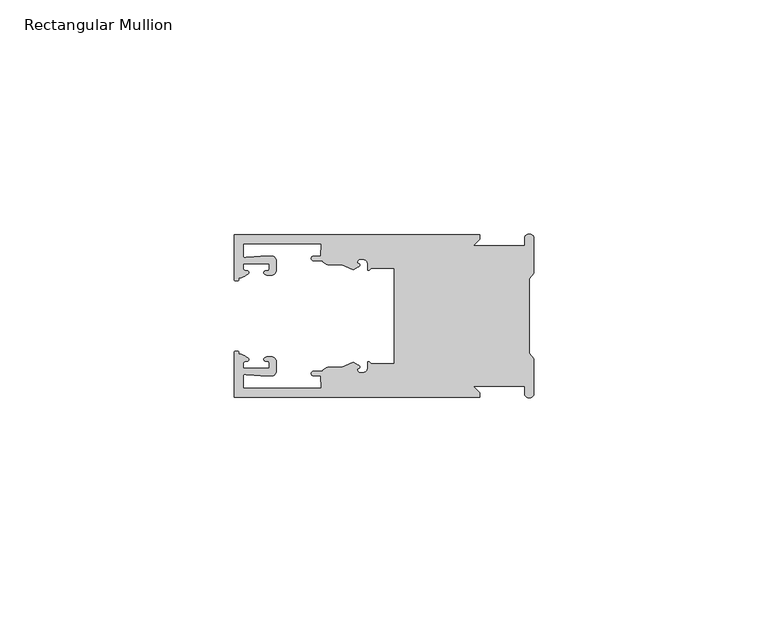
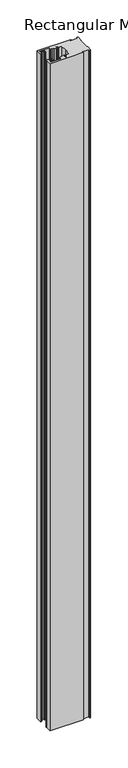
"""IFC4 building model written with IfcOpenShell, lengths in millimetres: member geometry, Rectangular Mullion."""

from ifc_helpers import new_model, si_unit, frame, origin, place, context, project, spatial, polyline, circle_curve, source, transform, mapped, element, save
from ifc_brep_helpers import plane_surface, cylinder_surface, revolved_surface, extruded_surface, spline_curve, advanced_brep


def rectangular_mullion_40bc0c01(model_context):
    return source(origin(), model_context, "Body", "AdvancedBrep", [
        advanced_brep(
        [(-11.5387897, 17.4000478, 0.0), (-64.0387868, 17.4000478, 0.0), (-64.0387868, 7.8350057, 0.0), (-63.2884687, 7.5412947, 0.0), (-62.4614154, 8.1921895, 0.0), (-62.0410649, 9.9426451, 0.0), (-62.0424168, 11.1926444, 0.0), (-56.54242, 11.1985924, 0.0), (-56.5410682, 9.9485931, 0.0), (-57.1085345, 8.7314723, 0.0), (-56.0397166, 8.6991345, 0.0), (-55.0407987, 9.7002154, 0.0), (-55.0430697, 11.8002142, 0.0), (-56.0446364, 12.7991315, 0.0), (-58.3650753, 12.7954945, 0.0), (-61.1340054, 12.5502269, 0.0), (-62.044093, 12.7426435, 0.0), (-62.0469668, 15.4000478, 0.0), (-45.4240312, 15.4000478, 0.0), (-45.5732135, 12.8000478, 0.0), (-47.0387868, 12.8000478, 0.0), (-47.0387868, 11.8000478, 0.0), (-45.2543363, 11.8000478, 0.0), (-43.6387868, 10.9000478, 0.0), (-41.0454034, 10.9000478, 0.0), (-38.5697136, 9.8718293, 0.0), (-37.5387868, 10.4670351, 0.0), (-37.6803436, 11.4201497, 0.0), (-37.0270763, 12.1583697, 0.0), (-36.2010815, 12.0127245, 0.0), (-35.54, 11.2248783, 0.0), (-35.54, 10.0, 0.0), (-34.7705791, 10.25, 0.0), (-29.79, 10.25, 0.0), (-29.79, 0.0, 0.0), (-29.79, -10.25, 0.0), (-34.7705791, -10.25, 0.0), (-35.54, -10.0, 0.0), (-35.54, -11.2248783, 0.0), (-36.2010815, -12.0127245, 0.0), (-37.0270763, -12.1583697, 0.0), (-37.6803436, -11.4201497, 0.0), (-37.5387868, -10.4670351, 0.0), (-38.5697136, -9.8718293, 0.0), (-41.0454034, -10.9000478, 0.0), (-43.6387868, -10.9000478, 0.0), (-45.2543363, -11.8000478, 0.0), (-47.0387868, -11.8000478, 0.0), (-47.0387868, -12.8000478, 0.0), (-45.5732135, -12.8000478, 0.0), (-45.4240312, -15.4000478, 0.0), (-62.0469668, -15.4000478, 0.0), (-62.044093, -12.7426435, 0.0), (-61.1340054, -12.5502269, 0.0), (-58.3650753, -12.7954945, 0.0), (-56.0446364, -12.7991314, 0.0), (-55.0430697, -11.8002142, 0.0), (-55.0407987, -9.7002154, 0.0), (-56.0397166, -8.6991345, 0.0), (-57.1085345, -8.7314723, 0.0), (-56.5410682, -9.9485931, 0.0), (-56.54242, -11.1985924, 0.0), (-62.0424168, -11.1926444, 0.0), (-62.0410649, -9.9426451, 0.0), (-62.4614154, -8.1921895, 0.0), (-63.2884687, -7.5412947, 0.0), (-64.0387868, -7.8350057, 0.0), (-64.0387868, -17.4000478, 0.0), (-11.5387897, -17.4000478, 0.0), (-11.5387897, -16.4000449, 0.0), (-12.9388346, -15.0, 0.0), (-2.0, -15.0, 0.0), (-2.0, -16.5, 0.0), (0.0, -16.5, 0.0), (0.0, -9.1160254, 0.0), (-1.0, -7.9613249, 0.0), (-1.0, 0.0, 0.0), (-1.0, 7.9613249, 0.0), (0.0, 9.1160254, 0.0), (0.0, 16.5, 0.0), (-2.0, 16.5, 0.0), (-2.0, 15.0, 0.0), (-12.9388346, 15.0, 0.0), (-11.5387897, 16.4000449, 0.0), (-11.5387897, 17.4000478, -1097.68), (-11.5387897, 16.4000449, -1097.68), (-12.9388346, 15.0, -1097.68), (-2.0, 15.0, -1097.68), (-2.0, 16.5, -1097.68), (0.0, 16.5, -1097.68), (0.0, 9.1160254, -1097.68), (-1.0, 7.9613249, -1097.68), (-1.0, 0.0, -1097.68), (-1.0, -7.9613249, -1097.68), (0.0, -9.1160254, -1097.68), (0.0, -16.5, -1097.68), (-2.0, -16.5, -1097.68), (-2.0, -15.0, -1097.68), (-12.9388346, -15.0, -1097.68), (-11.5387897, -16.4000449, -1097.68), (-11.5387897, -17.4000478, -1097.68), (-64.0387868, -17.4000478, -1097.68), (-64.0387868, -7.8350057, -1097.68), (-63.2884687, -7.5412947, -1097.68), (-62.4614154, -8.1921895, -1097.68), (-62.0410649, -9.9426451, -1097.68), (-62.0424168, -11.1926444, -1097.68), (-56.54242, -11.1985924, -1097.68), (-56.5410682, -9.9485931, -1097.68), (-57.1085345, -8.7314723, -1097.68), (-56.0397166, -8.6991345, -1097.68), (-55.0407987, -9.7002154, -1097.68), (-55.0430697, -11.8002142, -1097.68), (-56.0446364, -12.7991315, -1097.68), (-58.3650753, -12.7954945, -1097.68), (-61.1340054, -12.5502269, -1097.68), (-62.044093, -12.7426435, -1097.68), (-62.0469668, -15.4000478, -1097.68), (-45.4240312, -15.4000478, -1097.68), (-45.5732135, -12.8000478, -1097.68), (-47.0387868, -12.8000478, -1097.68), (-47.0387868, -11.8000478, -1097.68), (-45.2543363, -11.8000478, -1097.68), (-43.6387868, -10.9000478, -1097.68), (-41.0454034, -10.9000478, -1097.68), (-38.5697136, -9.8718293, -1097.68), (-37.5387868, -10.4670351, -1097.68), (-37.6803436, -11.4201497, -1097.68), (-37.0270763, -12.1583697, -1097.68), (-36.2010815, -12.0127245, -1097.68), (-35.54, -11.2248783, -1097.68), (-35.54, -10.0, -1097.68), (-34.7705791, -10.25, -1097.68), (-29.79, -10.25, -1097.68), (-29.79, 0.0, -1097.68), (-29.79, 10.25, -1097.68), (-34.7705791, 10.25, -1097.68), (-35.54, 10.0, -1097.68), (-35.54, 11.2248783, -1097.68), (-36.2010815, 12.0127245, -1097.68), (-37.0270763, 12.1583697, -1097.68), (-37.6803436, 11.4201497, -1097.68), (-37.5387868, 10.4670351, -1097.68), (-38.5697136, 9.8718293, -1097.68), (-41.0454034, 10.9000478, -1097.68), (-43.6387868, 10.9000478, -1097.68), (-45.2543363, 11.8000478, -1097.68), (-47.0387868, 11.8000478, -1097.68), (-47.0387868, 12.8000478, -1097.68), (-45.5732135, 12.8000478, -1097.68), (-45.4240312, 15.4000478, -1097.68), (-62.0469668, 15.4000478, -1097.68), (-62.044093, 12.7426435, -1097.68), (-61.1340054, 12.5502269, -1097.68), (-58.3650753, 12.7954945, -1097.68), (-56.0446364, 12.7991314, -1097.68), (-55.0430697, 11.8002142, -1097.68), (-55.0407987, 9.7002154, -1097.68), (-56.0397166, 8.6991345, -1097.68), (-57.1085345, 8.7314723, -1097.68), (-56.5410682, 9.9485931, -1097.68), (-56.54242, 11.1985924, -1097.68), (-62.0424168, 11.1926444, -1097.68), (-62.0410649, 9.9426451, -1097.68), (-62.4614154, 8.1921895, -1097.68), (-63.2884687, 7.5412947, -1097.68), (-64.0387868, 7.8350057, -1097.68), (-64.0387868, 17.4000478, -1097.68)],
        [
            (0, 1),
            (1, 2),
            (2, 3, spline_curve(3, [(-64.0387868, 7.8350057, 0.0), (-64.038491377, 7.561831774, 0.0), (-63.788385325, 7.463928087, 0.0), (-63.2884687, 7.5412947, 0.0)], [4, 4], [0.0, 0.0019169337574178654])),
            (3, 4, spline_curve(3, [(-63.2884687, 7.5412947, 0.0), (-63.057760917, 7.582232011, 0.0), (-63.018445067, 7.725390894, 0.0), (-63.019925494, 8.056436881, 0.0), (-63.103444208, 8.236386866, 0.0), (-62.4614154, 8.1921895, 0.0)], [4, 2, 4], [0.0, 0.0010199524164107188, 0.0024874514725970356])),
            (4, 5, spline_curve(3, [(-62.4614154, 8.1921895, 0.0), (-60.988497673, 8.880962536, 0.0), (-60.794045122, 9.192776957, 0.0), (-60.949808078, 9.57023562, 0.0), (-61.145214014, 9.682771697, 0.0), (-61.665835706, 9.714019003, 0.0), (-61.965242574, 9.660891484, 0.0), (-62.0410649, 9.9426451, 0.0)], [4, 2, 2, 4], [0.0, 0.003269869179570428, 0.005490050486237203, 0.0073545767114364426])),
            (5, 6),
            (6, 7),
            (7, 8),
            (8, 9, spline_curve(3, [(-56.5410682, 9.9485931, 0.0), (-56.634838635, 9.597117104, 0.0), (-56.904956774, 9.698238818, 0.0), (-57.324171444, 9.731086209, 0.0), (-57.45969165, 9.646199885, 0.0), (-57.729003352, 9.346016011, 0.0), (-57.859492582, 9.113082158, 0.0), (-57.1085345, 8.7314723, 0.0)], [4, 2, 2, 4], [0.0, 0.001593963049934732, 0.0033360256320283306, 0.005339140673503943])),
            (9, 10),
            (10, 11, circle_curve(frame((-56.0407981, 9.699134, 0.0), z_axis=(0.0, 0.0, 1.0), x_axis=(0.0010814451158627505, -0.9999994152380598, 0.0)), 1.0)),
            (11, 12),
            (12, 13, circle_curve(frame((-56.0430691, 11.7991327, 0.0), z_axis=(0.0, 0.0, 1.0), x_axis=(0.0010814451158627505, -0.9999994152380598, 0.0)), 1.0)),
            (13, 14),
            (14, 15),
            (15, 16, spline_curve(3, [(-61.1340054, 12.5502269, 0.0), (-61.605485428, 12.508463911, 0.0), (-61.992111419, 12.303164326, 0.0), (-62.044093, 12.7426435, 0.0)], [4, 4], [0.0, 0.0014803385355886016])),
            (16, 17),
            (17, 18),
            (18, 19),
            (19, 20),
            (20, 21, circle_curve(frame((-47.0387868, 12.3000478, 0.0), z_axis=(0.0, 0.0, 1.0), x_axis=(0.0, -1.0, 0.0)), 0.5)),
            (21, 22),
            (22, 23, circle_curve(frame((-43.6387868, 12.8000478, 0.0), z_axis=(0.0, 0.0, 1.0), x_axis=(0.0, -1.0, 0.0)), 1.9)),
            (23, 24),
            (24, 25),
            (25, 26),
            (26, 27, spline_curve(3, [(-37.5387868, 10.4670351, 0.0), (-36.973919853, 10.833863985, 0.0), (-37.198159645, 11.135696286, 0.0), (-37.587892011, 11.260246073, 0.0), (-37.754584192, 11.180452419, 0.0), (-37.6803436, 11.4201497, 0.0)], [4, 2, 4], [0.0, 0.0019283703160353726, 0.003394584635652914])),
            (27, 28, circle_curve(frame((-37.0434863, 11.5147359, 0.0), z_axis=(0.0, 0.0, -1.0), x_axis=(0.0, -1.0, 0.0)), 0.643843)),
            (28, 29),
            (29, 30, circle_curve(frame((-36.34, 11.2248783, 0.0), z_axis=(0.0, 0.0, -1.0), x_axis=(0.0, -1.0, 0.0)), 0.8)),
            (30, 31),
            (31, 32, spline_curve(3, [(-35.54, 10.0, 0.0), (-35.440000238, 9.598293201, 0.0), (-35.183526594, 9.681626535, 0.0), (-34.7705791, 10.25, 0.0)], [4, 4], [0.0, 0.0027473296990141553])),
            (32, 33),
            (33, 34),
            (34, 35),
            (35, 36),
            (36, 37, spline_curve(3, [(-34.7705791, -10.25, 0.0), (-35.183526594, -9.681626535, 0.0), (-35.440000238, -9.598293201, 0.0), (-35.54, -10.0, 0.0)], [4, 4], [0.0, 0.0027473296990141553])),
            (37, 38),
            (38, 39, circle_curve(frame((-36.34, -11.2248783, 0.0), z_axis=(0.0, 0.0, -1.0), x_axis=(0.0, 1.0, 0.0)), 0.8)),
            (39, 40),
            (40, 41, circle_curve(frame((-37.0434863, -11.5147359, 0.0), z_axis=(0.0, 0.0, -1.0), x_axis=(0.0, 1.0, 0.0)), 0.643843)),
            (41, 42, spline_curve(3, [(-37.6803436, -11.4201497, 0.0), (-37.754584192, -11.180452419, 0.0), (-37.587892011, -11.260246073, 0.0), (-37.198159645, -11.135696286, 0.0), (-36.973919853, -10.833863985, 0.0), (-37.5387868, -10.4670351, 0.0)], [4, 2, 4], [0.0, 0.0014662143196175414, 0.003394584635652914])),
            (42, 43),
            (43, 44),
            (44, 45),
            (45, 46, circle_curve(frame((-43.6387868, -12.8000478, 0.0), z_axis=(0.0, 0.0, 1.0), x_axis=(0.0, 1.0, 0.0)), 1.9)),
            (46, 47),
            (47, 48, circle_curve(frame((-47.0387868, -12.3000478, 0.0), z_axis=(0.0, 0.0, 1.0), x_axis=(0.0, 1.0, 0.0)), 0.5)),
            (48, 49),
            (49, 50),
            (50, 51),
            (51, 52),
            (52, 53, spline_curve(3, [(-62.044093, -12.7426435, 0.0), (-61.992111419, -12.303164326, 0.0), (-61.605485428, -12.508463911, 0.0), (-61.1340054, -12.5502269, 0.0)], [4, 4], [0.0, 0.0014803385355886016])),
            (53, 54),
            (54, 55),
            (55, 56, circle_curve(frame((-56.0430691, -11.7991327, 0.0), z_axis=(0.0, 0.0, 1.0), x_axis=(0.001081445115855867, 0.9999994152380598, 0.0)), 1.0)),
            (56, 57),
            (57, 58, circle_curve(frame((-56.0407981, -9.699134, 0.0), z_axis=(0.0, 0.0, 1.0), x_axis=(0.001081445115855867, 0.9999994152380598, 0.0)), 1.0)),
            (58, 59),
            (59, 60, spline_curve(3, [(-57.1085345, -8.7314723, 0.0), (-57.859492582, -9.113082158, 0.0), (-57.729003352, -9.346016011, 0.0), (-57.45969165, -9.646199885, 0.0), (-57.324171444, -9.731086209, 0.0), (-56.904956774, -9.698238818, 0.0), (-56.634838635, -9.597117104, 0.0), (-56.5410682, -9.9485931, 0.0)], [4, 2, 2, 4], [0.0, 0.002003115041475612, 0.0037451776235692107, 0.005339140673503943])),
            (60, 61),
            (61, 62),
            (62, 63),
            (63, 64, spline_curve(3, [(-62.0410649, -9.9426451, 0.0), (-61.965242574, -9.660891484, 0.0), (-61.665835706, -9.714019003, 0.0), (-61.145214014, -9.682771697, 0.0), (-60.949808078, -9.57023562, 0.0), (-60.794045122, -9.192776957, 0.0), (-60.988497673, -8.880962536, 0.0), (-62.4614154, -8.1921895, 0.0)], [4, 2, 2, 4], [0.0, 0.0018645262251992395, 0.004084707531866015, 0.0073545767114364426])),
            (64, 65, spline_curve(3, [(-62.4614154, -8.1921895, 0.0), (-63.103444208, -8.236386866, 0.0), (-63.019925494, -8.056436881, 0.0), (-63.018445067, -7.725390894, 0.0), (-63.057760917, -7.582232011, 0.0), (-63.2884687, -7.5412947, 0.0)], [4, 2, 4], [0.0, 0.0014674990561863168, 0.0024874514725970356])),
            (65, 66, spline_curve(3, [(-63.2884687, -7.5412947, 0.0), (-63.788385325, -7.463928087, 0.0), (-64.038491377, -7.561831774, 0.0), (-64.0387868, -7.8350057, 0.0)], [4, 4], [0.0, 0.0019169337574178654])),
            (66, 67),
            (67, 68),
            (68, 69),
            (69, 70),
            (70, 71),
            (71, 72),
            (72, 73, circle_curve(frame((-1.0, -16.5, 0.0), z_axis=(0.0, 0.0, 1.0), x_axis=(0.0, 1.0, 0.0)), 1.0)),
            (73, 74),
            (74, 75),
            (75, 76),
            (76, 77),
            (77, 78),
            (78, 79),
            (79, 80, circle_curve(frame((-1.0, 16.5, 0.0), z_axis=(0.0, 0.0, 1.0), x_axis=(0.0, -1.0, 0.0)), 1.0)),
            (80, 81),
            (81, 82),
            (82, 83),
            (83, 0),
            (84, 85),
            (85, 86),
            (86, 87),
            (87, 88),
            (88, 89, circle_curve(frame((-1.0, 16.5, -1097.68), z_axis=(0.0, 0.0, -1.0), x_axis=(0.0, -1.0, 0.0)), 1.0)),
            (89, 90),
            (90, 91),
            (91, 92),
            (92, 93),
            (93, 94),
            (94, 95),
            (95, 96, circle_curve(frame((-1.0, -16.5, -1097.68), z_axis=(0.0, 0.0, -1.0), x_axis=(0.0, 1.0, 0.0)), 1.0)),
            (96, 97),
            (97, 98),
            (98, 99),
            (99, 100),
            (100, 101),
            (101, 102),
            (102, 103, spline_curve(3, [(-64.0387868, -7.8350057, -1097.68), (-64.038491377, -7.561831774, -1097.68), (-63.788385325, -7.463928087, -1097.68), (-63.2884687, -7.5412947, -1097.68)], [4, 4], [0.0, 0.0019169337574178654])),
            (103, 104, spline_curve(3, [(-63.2884687, -7.5412947, -1097.68), (-63.057760917, -7.582232011, -1097.68), (-63.018445067, -7.725390894, -1097.68), (-63.019925494, -8.056436881, -1097.68), (-63.103444208, -8.236386866, -1097.68), (-62.4614154, -8.1921895, -1097.68)], [4, 2, 4], [0.0, 0.0010199524164107188, 0.0024874514725970356])),
            (104, 105, spline_curve(3, [(-62.4614154, -8.1921895, -1097.68), (-60.988497673, -8.880962536, -1097.68), (-60.794045122, -9.192776957, -1097.68), (-60.949808078, -9.57023562, -1097.68), (-61.145214014, -9.682771697, -1097.68), (-61.665835706, -9.714019003, -1097.68), (-61.965242574, -9.660891484, -1097.68), (-62.0410649, -9.9426451, -1097.68)], [4, 2, 2, 4], [0.0, 0.003269869179570428, 0.005490050486237203, 0.0073545767114364426])),
            (105, 106),
            (106, 107),
            (107, 108),
            (108, 109, spline_curve(3, [(-56.5410682, -9.9485931, -1097.68), (-56.634838635, -9.597117104, -1097.68), (-56.904956774, -9.698238818, -1097.68), (-57.324171444, -9.731086209, -1097.68), (-57.45969165, -9.646199885, -1097.68), (-57.729003352, -9.346016011, -1097.68), (-57.859492582, -9.113082158, -1097.68), (-57.1085345, -8.7314723, -1097.68)], [4, 2, 2, 4], [0.0, 0.001593963049934732, 0.0033360256320283306, 0.005339140673503943])),
            (109, 110),
            (110, 111, circle_curve(frame((-56.0407981, -9.699134, -1097.68), z_axis=(0.0, 0.0, -1.0), x_axis=(0.001081445115855867, 0.9999994152380598, 0.0)), 1.0)),
            (111, 112),
            (112, 113, circle_curve(frame((-56.0430691, -11.7991327, -1097.68), z_axis=(0.0, 0.0, -1.0), x_axis=(0.001081445115855867, 0.9999994152380598, 0.0)), 1.0)),
            (113, 114),
            (114, 115),
            (115, 116, spline_curve(3, [(-61.1340054, -12.5502269, -1097.68), (-61.605485428, -12.508463911, -1097.68), (-61.992111419, -12.303164326, -1097.68), (-62.044093, -12.7426435, -1097.68)], [4, 4], [0.0, 0.0014803385355886016])),
            (116, 117),
            (117, 118),
            (118, 119),
            (119, 120),
            (120, 121, circle_curve(frame((-47.0387868, -12.3000478, -1097.68), z_axis=(0.0, 0.0, -1.0), x_axis=(0.0, 1.0, 0.0)), 0.5)),
            (121, 122),
            (122, 123, circle_curve(frame((-43.6387868, -12.8000478, -1097.68), z_axis=(0.0, 0.0, -1.0), x_axis=(0.0, 1.0, 0.0)), 1.9)),
            (123, 124),
            (124, 125),
            (125, 126),
            (126, 127, spline_curve(3, [(-37.5387868, -10.4670351, -1097.68), (-36.973919853, -10.833863985, -1097.68), (-37.198159645, -11.135696286, -1097.68), (-37.587892011, -11.260246073, -1097.68), (-37.754584192, -11.180452419, -1097.68), (-37.6803436, -11.4201497, -1097.68)], [4, 2, 4], [0.0, 0.0019283703160353726, 0.003394584635652914])),
            (127, 128, circle_curve(frame((-37.0434863, -11.5147359, -1097.68), z_axis=(0.0, 0.0, 1.0), x_axis=(0.0, 1.0, 0.0)), 0.643843)),
            (128, 129),
            (129, 130, circle_curve(frame((-36.34, -11.2248783, -1097.68), z_axis=(0.0, 0.0, 1.0), x_axis=(0.0, 1.0, 0.0)), 0.8)),
            (130, 131),
            (131, 132, spline_curve(3, [(-35.54, -10.0, -1097.68), (-35.440000238, -9.598293201, -1097.68), (-35.183526594, -9.681626535, -1097.68), (-34.7705791, -10.25, -1097.68)], [4, 4], [0.0, 0.0027473296990141553])),
            (132, 133),
            (133, 134),
            (134, 135),
            (135, 136),
            (136, 137, spline_curve(3, [(-34.7705791, 10.25, -1097.68), (-35.183526594, 9.681626535, -1097.68), (-35.440000238, 9.598293201, -1097.68), (-35.54, 10.0, -1097.68)], [4, 4], [0.0, 0.0027473296990141553])),
            (137, 138),
            (138, 139, circle_curve(frame((-36.34, 11.2248783, -1097.68), z_axis=(0.0, 0.0, 1.0), x_axis=(0.0, -1.0, 0.0)), 0.8)),
            (139, 140),
            (140, 141, circle_curve(frame((-37.0434863, 11.5147359, -1097.68), z_axis=(0.0, 0.0, 1.0), x_axis=(0.0, -1.0, 0.0)), 0.643843)),
            (141, 142, spline_curve(3, [(-37.6803436, 11.4201497, -1097.68), (-37.754584192, 11.180452419, -1097.68), (-37.587892011, 11.260246073, -1097.68), (-37.198159645, 11.135696286, -1097.68), (-36.973919853, 10.833863985, -1097.68), (-37.5387868, 10.4670351, -1097.68)], [4, 2, 4], [0.0, 0.0014662143196175414, 0.003394584635652914])),
            (142, 143),
            (143, 144),
            (144, 145),
            (145, 146, circle_curve(frame((-43.6387868, 12.8000478, -1097.68), z_axis=(0.0, 0.0, -1.0), x_axis=(0.0, -1.0, 0.0)), 1.9)),
            (146, 147),
            (147, 148, circle_curve(frame((-47.0387868, 12.3000478, -1097.68), z_axis=(0.0, 0.0, -1.0), x_axis=(0.0, -1.0, 0.0)), 0.5)),
            (148, 149),
            (149, 150),
            (150, 151),
            (151, 152),
            (152, 153, spline_curve(3, [(-62.044093, 12.7426435, -1097.68), (-61.992111419, 12.303164326, -1097.68), (-61.605485428, 12.508463911, -1097.68), (-61.1340054, 12.5502269, -1097.68)], [4, 4], [0.0, 0.0014803385355886016])),
            (153, 154),
            (154, 155),
            (155, 156, circle_curve(frame((-56.0430691, 11.7991327, -1097.68), z_axis=(0.0, 0.0, -1.0), x_axis=(0.0010814451158627505, -0.9999994152380598, 0.0)), 1.0)),
            (156, 157),
            (157, 158, circle_curve(frame((-56.0407981, 9.699134, -1097.68), z_axis=(0.0, 0.0, -1.0), x_axis=(0.0010814451158627505, -0.9999994152380598, 0.0)), 1.0)),
            (158, 159),
            (159, 160, spline_curve(3, [(-57.1085345, 8.7314723, -1097.68), (-57.859492582, 9.113082158, -1097.68), (-57.729003352, 9.346016011, -1097.68), (-57.45969165, 9.646199885, -1097.68), (-57.324171444, 9.731086209, -1097.68), (-56.904956774, 9.698238818, -1097.68), (-56.634838635, 9.597117104, -1097.68), (-56.5410682, 9.9485931, -1097.68)], [4, 2, 2, 4], [0.0, 0.002003115041475612, 0.0037451776235692107, 0.005339140673503943])),
            (160, 161),
            (161, 162),
            (162, 163),
            (163, 164, spline_curve(3, [(-62.0410649, 9.9426451, -1097.68), (-61.965242574, 9.660891484, -1097.68), (-61.665835706, 9.714019003, -1097.68), (-61.145214014, 9.682771697, -1097.68), (-60.949808078, 9.57023562, -1097.68), (-60.794045122, 9.192776957, -1097.68), (-60.988497673, 8.880962536, -1097.68), (-62.4614154, 8.1921895, -1097.68)], [4, 2, 2, 4], [0.0, 0.0018645262251992395, 0.004084707531866015, 0.0073545767114364426])),
            (164, 165, spline_curve(3, [(-62.4614154, 8.1921895, -1097.68), (-63.103444208, 8.236386866, -1097.68), (-63.019925494, 8.056436881, -1097.68), (-63.018445067, 7.725390894, -1097.68), (-63.057760917, 7.582232011, -1097.68), (-63.2884687, 7.5412947, -1097.68)], [4, 2, 4], [0.0, 0.0014674990561863168, 0.0024874514725970356])),
            (165, 166, spline_curve(3, [(-63.2884687, 7.5412947, -1097.68), (-63.788385325, 7.463928087, -1097.68), (-64.038491377, 7.561831774, -1097.68), (-64.0387868, 7.8350057, -1097.68)], [4, 4], [0.0, 0.0019169337574178654])),
            (166, 167),
            (167, 84),
            (0, 84),
            (167, 1),
            (166, 2),
            (165, 3),
            (164, 4),
            (163, 5),
            (162, 6),
            (161, 7),
            (160, 8),
            (159, 9),
            (158, 10),
            (157, 11),
            (156, 12),
            (155, 13),
            (154, 14),
            (153, 15),
            (152, 16),
            (151, 17),
            (150, 18),
            (149, 19),
            (148, 20),
            (147, 21),
            (146, 22),
            (145, 23),
            (144, 24),
            (143, 25),
            (142, 26),
            (141, 27),
            (140, 28),
            (139, 29),
            (138, 30),
            (137, 31),
            (136, 32),
            (135, 33),
            (134, 34),
            (133, 35),
            (132, 36),
            (131, 37),
            (130, 38),
            (129, 39),
            (128, 40),
            (127, 41),
            (126, 42),
            (125, 43),
            (124, 44),
            (123, 45),
            (122, 46),
            (121, 47),
            (120, 48),
            (119, 49),
            (118, 50),
            (117, 51),
            (116, 52),
            (115, 53),
            (114, 54),
            (113, 55),
            (112, 56),
            (111, 57),
            (110, 58),
            (109, 59),
            (108, 60),
            (107, 61),
            (106, 62),
            (105, 63),
            (104, 64),
            (103, 65),
            (102, 66),
            (101, 67),
            (100, 68),
            (99, 69),
            (98, 70),
            (97, 71),
            (96, 72),
            (95, 73),
            (94, 74),
            (93, 75),
            (92, 76),
            (91, 77),
            (90, 78),
            (89, 79),
            (88, 80),
            (87, 81),
            (86, 82),
            (85, 83),
        ],
        [
            plane_surface(frame((0.0, -66.3605898, 0.0), z_axis=(0.0, 0.0, 1.0), x_axis=(-1.0, 0.0, 0.0))),
            plane_surface(frame((0.0, -66.3605898, -1097.68), z_axis=(0.0, 0.0, -1.0), x_axis=(-1.0, 0.0, 0.0))),
            plane_surface(frame((-11.5387897, 17.4000478, 0.0), z_axis=(0.0, 1.0, 0.0), x_axis=(0.0, 0.0, -1.0))),
            plane_surface(frame((-64.0387868, 17.4000478, 0.0), z_axis=(-1.0, 0.0, 0.0), x_axis=(0.0, 0.0, -1.0))),
            extruded_surface(spline_curve(3, [(-64.0387868, 7.8350057, -1097.68), (-64.038491377, 7.561831774, -1097.68), (-63.788385325, 7.463928087, -1097.68), (-63.2884687, 7.5412947, -1097.68)], [4, 4], [0.0, 0.0019169337574178654]), (0.0, 0.0, 1097.68), 1097.68),
            extruded_surface(spline_curve(3, [(-63.2884687, 7.5412947, -1097.68), (-63.057760917, 7.582232011, -1097.68), (-63.018445067, 7.725390894, -1097.68), (-63.019925494, 8.056436881, -1097.68), (-63.103444208, 8.236386866, -1097.68), (-62.4614154, 8.1921895, -1097.68)], [4, 2, 4], [0.0, 0.0010199524164107188, 0.0024874514725970356]), (0.0, 0.0, 1097.68), 1097.68),
            extruded_surface(spline_curve(3, [(-62.4614154, 8.1921895, -1097.68), (-60.988497673, 8.880962536, -1097.68), (-60.794045122, 9.192776957, -1097.68), (-60.949808078, 9.57023562, -1097.68), (-61.145214014, 9.682771697, -1097.68), (-61.665835706, 9.714019003, -1097.68), (-61.965242574, 9.660891484, -1097.68), (-62.0410649, 9.9426451, -1097.68)], [4, 2, 2, 4], [0.0, 0.003269869179570428, 0.005490050486237203, 0.0073545767114364426]), (0.0, 0.0, 1097.68), 1097.68),
            plane_surface(frame((-62.0410649, 9.9426451, 0.0), z_axis=(0.9999994152380598, 0.0010814451158593665, 0.0), x_axis=(0.0, 0.0, -1.0))),
            plane_surface(frame((-62.0424168, 11.1926444, 0.0), z_axis=(0.0010814451158611391, -0.9999994152380598, 0.0), x_axis=(0.0, 0.0, -1.0))),
            plane_surface(frame((-56.54242, 11.1985924, 0.0), z_axis=(-0.9999994152380598, -0.0010814451158584516, 0.0), x_axis=(0.0, 0.0, -1.0))),
            extruded_surface(spline_curve(3, [(-56.5410682, 9.9485931, -1097.68), (-56.634838635, 9.597117104, -1097.68), (-56.904956774, 9.698238818, -1097.68), (-57.324171444, 9.731086209, -1097.68), (-57.45969165, 9.646199885, -1097.68), (-57.729003352, 9.346016011, -1097.68), (-57.859492582, 9.113082158, -1097.68), (-57.1085345, 8.7314723, -1097.68)], [4, 2, 2, 4], [0.0, 0.001593963049934732, 0.0033360256320283306, 0.005339140673503943]), (0.0, 0.0, 1097.68), 1097.68),
            plane_surface(frame((-57.1085345, 8.7314723, 0.0), z_axis=(-0.030241832452869922, -0.9995426111826813, 0.0), x_axis=(0.0, 0.0, -1.0))),
            cylinder_surface(frame((-56.0407981, 9.699134, 0.0), z_axis=(0.0, 0.0, 1.0000000000000002), x_axis=(0.0010814451158627505, -0.9999994152380598, 0.0)), 1.0),
            plane_surface(frame((-55.0407987, 9.7002154, 0.0), z_axis=(0.9999994152380598, 0.001081445115858722, 0.0), x_axis=(0.0, 0.0, -1.0))),
            cylinder_surface(frame((-56.0430691, 11.7991327, 0.0), z_axis=(0.0, 0.0, 1.0000000000000002), x_axis=(0.0010814451158627505, -0.9999994152380598, 0.0)), 1.0),
            plane_surface(frame((-56.0446364, 12.7991314, 0.0), z_axis=(-0.0015673183327907744, 0.9999987717558677, 0.0), x_axis=(0.0, 0.0, -1.0))),
            plane_surface(frame((-58.3650753, 12.7954945, 0.0), z_axis=(-0.08823302167299531, 0.9960998614026874, 0.0), x_axis=(0.0, 0.0, -1.0))),
            extruded_surface(spline_curve(3, [(-61.1340054, 12.5502269, -1097.68), (-61.605485428, 12.508463911, -1097.68), (-61.992111419, 12.303164326, -1097.68), (-62.044093, 12.7426435, -1097.68)], [4, 4], [0.0, 0.0014803385355886016]), (0.0, 0.0, 1097.68), 1097.68),
            plane_surface(frame((-62.044093, 12.7426435, 0.0), z_axis=(0.9999994152380598, 0.0010814451158597813, 0.0), x_axis=(0.0, 0.0, -1.0))),
            plane_surface(frame((-62.0469668, 15.4000478, 0.0), z_axis=(0.0, -1.0, 0.0), x_axis=(0.0, 0.0, -1.0))),
            plane_surface(frame((-45.4240312, 15.4000478, 0.0), z_axis=(-0.9983579461523547, 0.05728360458675776, 0.0), x_axis=(0.0, 0.0, -1.0))),
            plane_surface(frame((-45.5732135, 12.8000478, 0.0), z_axis=(0.0, 1.0, 0.0), x_axis=(0.0, 0.0, -1.0))),
            cylinder_surface(frame((-47.0387868, 12.3000478, 0.0), z_axis=(0.0, 0.0, 1.0), x_axis=(0.0, -1.0, 0.0)), 0.5),
            plane_surface(frame((-47.0387868, 11.8000478, 0.0), z_axis=(0.0, -1.0, 0.0), x_axis=(0.0, 0.0, -1.0))),
            cylinder_surface(frame((-43.6387868, 12.8000478, 0.0), z_axis=(0.0, 0.0, 1.0), x_axis=(0.0, -1.0, 0.0)), 1.9),
            plane_surface(frame((-43.6387868, 10.9000478, 0.0), z_axis=(0.0, -1.0, 0.0), x_axis=(0.0, 0.0, -1.0))),
            plane_surface(frame((-41.0454034, 10.9000478, 0.0), z_axis=(-0.3835602140750569, -0.9235158700199453, 0.0), x_axis=(0.0, 0.0, -1.0))),
            plane_surface(frame((-38.5697136, 9.8718293, 0.0), z_axis=(0.5000000000252295, -0.8660254037698725, 0.0), x_axis=(0.0, 0.0, -1.0))),
            extruded_surface(spline_curve(3, [(-37.5387868, 10.4670351, -1097.68), (-36.973919853, 10.833863985, -1097.68), (-37.198159645, 11.135696286, -1097.68), (-37.587892011, 11.260246073, -1097.68), (-37.754584192, 11.180452419, -1097.68), (-37.6803436, 11.4201497, -1097.68)], [4, 2, 4], [0.0, 0.0019283703160353726, 0.003394584635652914]), (0.0, 0.0, 1097.68), 1097.68),
            revolved_surface(polyline([(-37.0434863, 10.8708929, -1097.68), (-37.0434863, 10.8708929, 0.0)]), (-37.0434863, 11.5147359, 0.0), (0.0, 0.0, -1.0)),
            plane_surface(frame((-37.0270763, 12.1583697, 0.0), z_axis=(-0.17364817767050408, -0.984807753011578, 0.0), x_axis=(0.0, 0.0, -1.0))),
            revolved_surface(polyline([(-36.34, 10.4248783, -1097.68), (-36.34, 10.4248783, 0.0)]), (-36.34, 11.2248783, 0.0), (0.0, 0.0, -1.0)),
            plane_surface(frame((-35.54, 11.2248783, 0.0), z_axis=(-1.0, 0.0, 0.0), x_axis=(0.0, 0.0, -1.0))),
            extruded_surface(spline_curve(3, [(-35.54, 10.0, -1097.68), (-35.440000238, 9.598293201, -1097.68), (-35.183526594, 9.681626535, -1097.68), (-34.7705791, 10.25, -1097.68)], [4, 4], [0.0, 0.0027473296990141553]), (0.0, 0.0, 1097.68), 1097.68),
            plane_surface(frame((-34.7705791, 10.25, 0.0), z_axis=(0.0, -1.0, 0.0), x_axis=(0.0, 0.0, -1.0))),
            plane_surface(frame((-29.79, 10.25, 0.0), z_axis=(-1.0, 0.0, 0.0), x_axis=(0.0, 0.0, -1.0))),
            plane_surface(frame((-29.79, 0.0, 0.0), z_axis=(-1.0, 0.0, 0.0), x_axis=(0.0, 0.0, -1.0))),
            plane_surface(frame((-29.79, -10.25, 0.0), z_axis=(0.0, 1.0, 0.0), x_axis=(0.0, 0.0, -1.0))),
            extruded_surface(spline_curve(3, [(-34.7705791, -10.25, -1097.68), (-35.183526594, -9.681626535, -1097.68), (-35.440000238, -9.598293201, -1097.68), (-35.54, -10.0, -1097.68)], [4, 4], [0.0, 0.0027473296990141553]), (0.0, 0.0, 1097.68), 1097.68),
            plane_surface(frame((-35.54, -10.0, 0.0), z_axis=(-1.0, 0.0, 0.0), x_axis=(0.0, 0.0, -1.0))),
            revolved_surface(polyline([(-36.34, -10.4248783, -1097.68), (-36.34, -10.4248783, 0.0)]), (-36.34, -11.2248783, 0.0), (0.0, 0.0, -1.0)),
            plane_surface(frame((-36.2010815, -12.0127245, 0.0), z_axis=(-0.17364817767051083, 0.9848077530115767, 0.0), x_axis=(0.0, 0.0, -1.0))),
            revolved_surface(polyline([(-37.0434863, -10.8708929, -1097.68), (-37.0434863, -10.8708929, 0.0)]), (-37.0434863, -11.5147359, 0.0), (0.0, 0.0, -1.0)),
            extruded_surface(spline_curve(3, [(-37.6803436, -11.4201497, -1097.68), (-37.754584192, -11.180452419, -1097.68), (-37.587892011, -11.260246073, -1097.68), (-37.198159645, -11.135696286, -1097.68), (-36.973919853, -10.833863985, -1097.68), (-37.5387868, -10.4670351, -1097.68)], [4, 2, 4], [0.0, 0.0014662143196175414, 0.003394584635652914]), (0.0, 0.0, 1097.68), 1097.68),
            plane_surface(frame((-37.5387868, -10.4670351, 0.0), z_axis=(0.5000000000252234, 0.8660254037698759, 0.0), x_axis=(0.0, 0.0, -1.0))),
            plane_surface(frame((-38.5697136, -9.8718293, 0.0), z_axis=(-0.38356021407506324, 0.9235158700199426, 0.0), x_axis=(0.0, 0.0, -1.0))),
            plane_surface(frame((-41.0454034, -10.9000478, 0.0), z_axis=(0.0, 1.0, 0.0), x_axis=(0.0, 0.0, -1.0))),
            cylinder_surface(frame((-43.6387868, -12.8000478, 0.0), z_axis=(0.0, 0.0, 1.0), x_axis=(0.0, 1.0, 0.0)), 1.9),
            plane_surface(frame((-45.2543363, -11.8000478, 0.0), z_axis=(0.0, 1.0, 0.0), x_axis=(0.0, 0.0, -1.0))),
            cylinder_surface(frame((-47.0387868, -12.3000478, 0.0), z_axis=(0.0, 0.0, 1.0), x_axis=(0.0, 1.0, 0.0)), 0.5),
            plane_surface(frame((-47.0387868, -12.8000478, 0.0), z_axis=(0.0, -1.0, 0.0), x_axis=(0.0, 0.0, -1.0))),
            plane_surface(frame((-45.5732135, -12.8000478, 0.0), z_axis=(-0.9983579461523543, -0.05728360458676463, 0.0), x_axis=(0.0, 0.0, -1.0))),
            plane_surface(frame((-45.4240312, -15.4000478, 0.0), z_axis=(0.0, 1.0, 0.0), x_axis=(0.0, 0.0, -1.0))),
            plane_surface(frame((-62.0469668, -15.4000478, 0.0), z_axis=(0.9999994152380598, -0.001081445115852898, 0.0), x_axis=(0.0, 0.0, -1.0))),
            extruded_surface(spline_curve(3, [(-62.044093, -12.7426435, -1097.68), (-61.992111419, -12.303164326, -1097.68), (-61.605485428, -12.508463911, -1097.68), (-61.1340054, -12.5502269, -1097.68)], [4, 4], [0.0, 0.0014803385355886016]), (0.0, 0.0, 1097.68), 1097.68),
            plane_surface(frame((-61.1340054, -12.5502269, 0.0), z_axis=(-0.08823302167298844, -0.9960998614026879, 0.0), x_axis=(0.0, 0.0, -1.0))),
            plane_surface(frame((-58.3650753, -12.7954945, 0.0), z_axis=(-0.001567318332783891, -0.9999987717558677, 0.0), x_axis=(0.0, 0.0, -1.0))),
            cylinder_surface(frame((-56.0430691, -11.7991327, 0.0), z_axis=(0.0, 0.0, 1.0000000000000002), x_axis=(0.001081445115855867, 0.9999994152380598, 0.0)), 1.0),
            plane_surface(frame((-55.0430697, -11.8002142, 0.0), z_axis=(0.9999994152380598, -0.0010814451158518386, 0.0), x_axis=(0.0, 0.0, -1.0))),
            cylinder_surface(frame((-56.0407981, -9.699134, 0.0), z_axis=(0.0, 0.0, 1.0000000000000002), x_axis=(0.001081445115855867, 0.9999994152380598, 0.0)), 1.0),
            plane_surface(frame((-56.0397166, -8.6991345, 0.0), z_axis=(-0.030241832452876805, 0.9995426111826811, 0.0), x_axis=(0.0, 0.0, -1.0))),
            extruded_surface(spline_curve(3, [(-57.1085345, -8.7314723, -1097.68), (-57.859492582, -9.113082158, -1097.68), (-57.729003352, -9.346016011, -1097.68), (-57.45969165, -9.646199885, -1097.68), (-57.324171444, -9.731086209, -1097.68), (-56.904956774, -9.698238818, -1097.68), (-56.634838635, -9.597117104, -1097.68), (-56.5410682, -9.9485931, -1097.68)], [4, 2, 2, 4], [0.0, 0.002003115041475612, 0.0037451776235692107, 0.005339140673503943]), (0.0, 0.0, 1097.68), 1097.68),
            plane_surface(frame((-56.5410682, -9.9485931, 0.0), z_axis=(-0.9999994152380598, 0.0010814451158515682, 0.0), x_axis=(0.0, 0.0, -1.0))),
            plane_surface(frame((-56.54242, -11.1985924, 0.0), z_axis=(0.0010814451158542558, 0.9999994152380598, 0.0), x_axis=(0.0, 0.0, -1.0))),
            plane_surface(frame((-62.0424168, -11.1926444, 0.0), z_axis=(0.9999994152380598, -0.001081445115852483, 0.0), x_axis=(0.0, 0.0, -1.0))),
            extruded_surface(spline_curve(3, [(-62.0410649, -9.9426451, -1097.68), (-61.965242574, -9.660891484, -1097.68), (-61.665835706, -9.714019003, -1097.68), (-61.145214014, -9.682771697, -1097.68), (-60.949808078, -9.57023562, -1097.68), (-60.794045122, -9.192776957, -1097.68), (-60.988497673, -8.880962536, -1097.68), (-62.4614154, -8.1921895, -1097.68)], [4, 2, 2, 4], [0.0, 0.0018645262251992395, 0.004084707531866015, 0.0073545767114364426]), (0.0, 0.0, 1097.68), 1097.68),
            extruded_surface(spline_curve(3, [(-62.4614154, -8.1921895, -1097.68), (-63.103444208, -8.236386866, -1097.68), (-63.019925494, -8.056436881, -1097.68), (-63.018445067, -7.725390894, -1097.68), (-63.057760917, -7.582232011, -1097.68), (-63.2884687, -7.5412947, -1097.68)], [4, 2, 4], [0.0, 0.0014674990561863168, 0.0024874514725970356]), (0.0, 0.0, 1097.68), 1097.68),
            extruded_surface(spline_curve(3, [(-63.2884687, -7.5412947, -1097.68), (-63.788385325, -7.463928087, -1097.68), (-64.038491377, -7.561831774, -1097.68), (-64.0387868, -7.8350057, -1097.68)], [4, 4], [0.0, 0.0019169337574178654]), (0.0, 0.0, 1097.68), 1097.68),
            plane_surface(frame((-64.0387868, -7.8350057, 0.0), z_axis=(-1.0, 0.0, 0.0), x_axis=(0.0, 0.0, -1.0))),
            plane_surface(frame((-64.0387868, -17.4000478, 0.0), z_axis=(0.0, -1.0, 0.0), x_axis=(0.0, 0.0, -1.0))),
            plane_surface(frame((-11.5387897, -17.4000478, 0.0), z_axis=(1.0, 0.0, 0.0), x_axis=(0.0, 0.0, -1.0))),
            plane_surface(frame((-11.5387897, -16.4000449, 0.0), z_axis=(0.7071067811865457, 0.7071067811865493, 0.0), x_axis=(0.0, 0.0, -1.0))),
            plane_surface(frame((-12.9388346, -15.0, 0.0), z_axis=(0.0, -1.0, 0.0), x_axis=(0.0, 0.0, -1.0))),
            plane_surface(frame((-2.0, -15.0, 0.0), z_axis=(-1.0, 0.0, 0.0), x_axis=(0.0, 0.0, -1.0))),
            cylinder_surface(frame((-1.0, -16.5, 0.0), z_axis=(0.0, 0.0, 1.0), x_axis=(0.0, 1.0, 0.0)), 1.0),
            plane_surface(frame((0.0, -16.5, 0.0), z_axis=(1.0, 0.0, 0.0), x_axis=(0.0, 0.0, -1.0))),
            plane_surface(frame((0.0, -9.1160254, 0.0), z_axis=(0.7559289460231527, 0.6546536707025522, 0.0), x_axis=(0.0, 0.0, -1.0))),
            plane_surface(frame((-1.0, -7.9613249, 0.0), z_axis=(1.0, 0.0, 0.0), x_axis=(0.0, 0.0, -1.0))),
            plane_surface(frame((-1.0, 0.0, 0.0), z_axis=(1.0, 0.0, 0.0), x_axis=(0.0, 0.0, -1.0))),
            plane_surface(frame((-1.0, 7.9613249, 0.0), z_axis=(0.7559289460231571, -0.654653670702547, 0.0), x_axis=(0.0, 0.0, -1.0))),
            plane_surface(frame((0.0, 9.1160254, 0.0), z_axis=(1.0, 0.0, 0.0), x_axis=(0.0, 0.0, -1.0))),
            cylinder_surface(frame((-1.0, 16.5, 0.0), z_axis=(0.0, 0.0, 1.0), x_axis=(0.0, -1.0, 0.0)), 1.0),
            plane_surface(frame((-2.0, 16.5, 0.0), z_axis=(-1.0, 0.0, 0.0), x_axis=(0.0, 0.0, -1.0))),
            plane_surface(frame((-2.0, 15.0, 0.0), z_axis=(0.0, 1.0, 0.0), x_axis=(0.0, 0.0, -1.0))),
            plane_surface(frame((-12.9388346, 15.0, 0.0), z_axis=(0.7071067811865507, -0.7071067811865446, 0.0), x_axis=(0.0, 0.0, -1.0))),
            plane_surface(frame((-11.5387897, 16.4000449, 0.0), z_axis=(1.0, 0.0, 0.0), x_axis=(0.0, 0.0, -1.0))),
        ],
        [
            (0, [[1, 2, 3, 4, 5, 6, 7, 8, 9, 10, 11, 12, 13, 14, 15, 16, 17, 18, 19, 20, 21, 22, 23, 24, 25, 26, 27, 28, 29, 30, 31, 32, 33, 34, 35, 36, 37, 38, 39, 40, 41, 42, 43, 44, 45, 46, 47, 48, 49, 50, 51, 52, 53, 54, 55, 56, 57, 58, 59, 60, 61, 62, 63, 64, 65, 66, 67, 68, 69, 70, 71, 72, 73, 74, 75, 76, 77, 78, 79, 80, 81, 82, 83, 84]]),
            (1, [[85, 86, 87, 88, 89, 90, 91, 92, 93, 94, 95, 96, 97, 98, 99, 100, 101, 102, 103, 104, 105, 106, 107, 108, 109, 110, 111, 112, 113, 114, 115, 116, 117, 118, 119, 120, 121, 122, 123, 124, 125, 126, 127, 128, 129, 130, 131, 132, 133, 134, 135, 136, 137, 138, 139, 140, 141, 142, 143, 144, 145, 146, 147, 148, 149, 150, 151, 152, 153, 154, 155, 156, 157, 158, 159, 160, 161, 162, 163, 164, 165, 166, 167, 168]]),
            (2, [[-1, 169, -168, 170]]),
            (3, [[-2, -170, -167, 171]]),
            (4, [[-3, -171, -166, 172]]),
            (5, [[-4, -172, -165, 173]]),
            (6, [[-5, -173, -164, 174]]),
            (7, [[-6, -174, -163, 175]]),
            (8, [[-7, -175, -162, 176]]),
            (9, [[-8, -176, -161, 177]]),
            (10, [[-9, -177, -160, 178]]),
            (11, [[-10, -178, -159, 179]]),
            (12, [[-11, -179, -158, 180]]),
            (13, [[-12, -180, -157, 181]]),
            (14, [[-13, -181, -156, 182]]),
            (15, [[-14, -182, -155, 183]]),
            (16, [[-15, -183, -154, 184]]),
            (17, [[-16, -184, -153, 185]]),
            (18, [[-17, -185, -152, 186]]),
            (19, [[-18, -186, -151, 187]]),
            (20, [[-19, -187, -150, 188]]),
            (21, [[-20, -188, -149, 189]]),
            (22, [[-21, -189, -148, 190]]),
            (23, [[-22, -190, -147, 191]]),
            (24, [[-23, -191, -146, 192]]),
            (25, [[-24, -192, -145, 193]]),
            (26, [[-25, -193, -144, 194]]),
            (27, [[-26, -194, -143, 195]]),
            (28, [[-27, -195, -142, 196]]),
            (29, [[-28, -196, -141, 197]]),
            (30, [[-29, -197, -140, 198]]),
            (31, [[-30, -198, -139, 199]]),
            (32, [[-31, -199, -138, 200]]),
            (33, [[-32, -200, -137, 201]]),
            (34, [[-33, -201, -136, 202]]),
            (35, [[-34, -202, -135, 203]]),
            (36, [[-35, -203, -134, 204]]),
            (37, [[-36, -204, -133, 205]]),
            (38, [[-37, -205, -132, 206]]),
            (39, [[-38, -206, -131, 207]]),
            (40, [[-39, -207, -130, 208]]),
            (41, [[-40, -208, -129, 209]]),
            (42, [[-41, -209, -128, 210]]),
            (43, [[-42, -210, -127, 211]]),
            (44, [[-43, -211, -126, 212]]),
            (45, [[-44, -212, -125, 213]]),
            (46, [[-45, -213, -124, 214]]),
            (47, [[-46, -214, -123, 215]]),
            (48, [[-47, -215, -122, 216]]),
            (49, [[-48, -216, -121, 217]]),
            (50, [[-49, -217, -120, 218]]),
            (51, [[-50, -218, -119, 219]]),
            (52, [[-51, -219, -118, 220]]),
            (53, [[-52, -220, -117, 221]]),
            (54, [[-53, -221, -116, 222]]),
            (55, [[-54, -222, -115, 223]]),
            (56, [[-55, -223, -114, 224]]),
            (57, [[-56, -224, -113, 225]]),
            (58, [[-57, -225, -112, 226]]),
            (59, [[-58, -226, -111, 227]]),
            (60, [[-59, -227, -110, 228]]),
            (61, [[-60, -228, -109, 229]]),
            (62, [[-61, -229, -108, 230]]),
            (63, [[-62, -230, -107, 231]]),
            (64, [[-63, -231, -106, 232]]),
            (65, [[-64, -232, -105, 233]]),
            (66, [[-65, -233, -104, 234]]),
            (67, [[-66, -234, -103, 235]]),
            (68, [[-67, -235, -102, 236]]),
            (69, [[-68, -236, -101, 237]]),
            (70, [[-69, -237, -100, 238]]),
            (71, [[-70, -238, -99, 239]]),
            (72, [[-71, -239, -98, 240]]),
            (73, [[-72, -240, -97, 241]]),
            (74, [[-73, -241, -96, 242]]),
            (75, [[-74, -242, -95, 243]]),
            (76, [[-75, -243, -94, 244]]),
            (77, [[-76, -244, -93, 245]]),
            (78, [[-77, -245, -92, 246]]),
            (79, [[-78, -246, -91, 247]]),
            (80, [[-79, -247, -90, 248]]),
            (81, [[-80, -248, -89, 249]]),
            (82, [[-81, -249, -88, 250]]),
            (83, [[-82, -250, -87, 251]]),
            (84, [[-83, -251, -86, 252]]),
            (85, [[-84, -252, -85, -169]]),
        ],
    ),
    ])


if __name__ == "__main__":
    model = new_model("IFC4")
    model_context = context("Model", 3, world=origin())
    ifc_project = project(units=[si_unit("LENGTHUNIT", "METRE", prefix="MILLI")], contexts=[model_context])
    site = spatial("IfcSite", under=ifc_project)
    building = spatial("IfcBuilding", under=site)
    placement = place(None, origin())
    rectangular_mullion_shape = rectangular_mullion_40bc0c01(model_context)
    element("IfcMember", 1, ObjectType="Rectangular Mullion", at=placement, inside=building, context=model_context, shape_type="MappedRepresentation", body=[
        mapped(rectangular_mullion_shape, transform((0.0, 0.0, 0.0), x_axis=(1.0, 0.0, 0.0), y_axis=(0.0, 1.0, 0.0), z_axis=(0.0, 0.0, 1.0))),
    ])
    save(model, "model.ifc")
